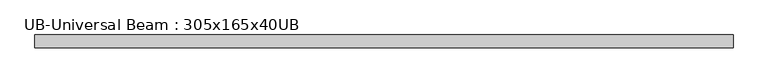
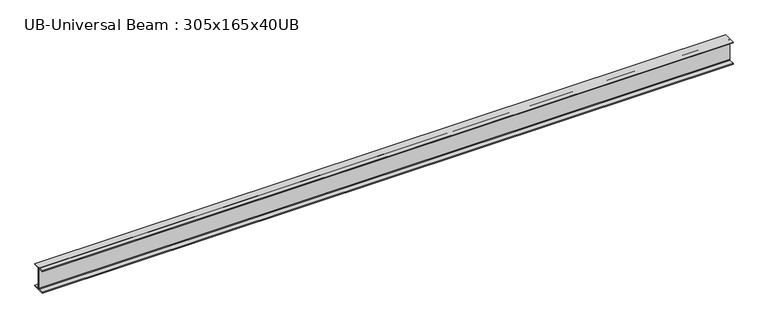
"""IFC4 building model written with IfcOpenShell, lengths in millimetres: beam geometry, UB-Universal Beam : 305x165x40UB."""

import ifcopenshell
import ifcopenshell.guid

model = None  # the IFC model being written
_history = None  # IfcOwnerHistory: only IFC2X3 demands one
_inside = {}  # id of a spatial element -> (the spatial element, [elements in it])
_under = {}  # id of a project, library or spatial element -> (it, [spatial elements below it])
_declared = {}  # id of a project -> (the project, [libraries it declares])
_typed = {}  # id of a type object -> (the type object, [elements of that type])
_made_of = {}  # id of a material, layer set ... -> (it, [elements and type objects made of it])


def new_model(schema):
    """Start an empty IFC model of exactly this schema.

    Asked for "IFC4X3", IfcOpenShell would pick the latest addendum, in which some entities
    have other attributes; the version numbers below select the first issue.
    IFC2X3 requires an IfcOwnerHistory on every rooted entity: one is made here for all.
    """
    global model, _history
    if schema == "IFC4X3":
        model = ifcopenshell.file(schema_version=(4, 3, 0, 0))
    else:
        model = ifcopenshell.file(schema=schema)
    _inside.clear()
    _under.clear()
    _declared.clear()
    _typed.clear()
    _made_of.clear()
    _history = None
    if model.schema == "IFC2X3":
        org = make("IfcOrganization", Name="unknown")
        user = make(
            "IfcPersonAndOrganization",
            ThePerson=make("IfcPerson", FamilyName="unknown"),
            TheOrganization=org,
        )
        app = make(
            "IfcApplication",
            ApplicationDeveloper=org,
            Version="unknown",
            ApplicationFullName="unknown",
            ApplicationIdentifier="unknown",
        )
        _history = make(
            "IfcOwnerHistory",
            OwningUser=user,
            OwningApplication=app,
            ChangeAction="ADDED",
            CreationDate=0,
        )
    return model


def make(cls, **values):
    """One entity of the class cls with the attributes given. An attribute that is None is left unset."""
    return model.create_entity(
        cls, **{name: value for name, value in values.items() if value is not None}
    )


def rooted(cls, **values):
    """An entity with a GlobalId (a new one), such as an element, a storey or a relation."""
    return make(cls, GlobalId=ifcopenshell.guid.new(), OwnerHistory=_history, **values)


def si_unit(unit_type, name, prefix=None):
    """IfcSIUnit, for example si_unit("LENGTHUNIT", "METRE", prefix="MILLI")."""
    return make("IfcSIUnit", UnitType=unit_type, Prefix=prefix, Name=name)


def assignment(units):
    """IfcUnitAssignment: the units of a project."""
    return None if units is None else make("IfcUnitAssignment", Units=units)


def point(xyz):
    """IfcCartesianPoint."""
    return None if xyz is None else make("IfcCartesianPoint", Coordinates=xyz)


def direction(xyz):
    """IfcDirection."""
    return None if xyz is None else make("IfcDirection", DirectionRatios=xyz)


def frame(location, z_axis=None, x_axis=None):
    """IfcAxis2Placement3D, a coordinate frame: its origin and axes. An axis left out is left unset."""
    return make(
        "IfcAxis2Placement3D",
        Location=point(location),
        Axis=direction(z_axis),
        RefDirection=direction(x_axis),
    )


def frame_2d(location, x_axis=None):
    """IfcAxis2Placement2D, a coordinate frame in the plane: its origin and x axis."""
    return make(
        "IfcAxis2Placement2D", Location=point(location), RefDirection=direction(x_axis)
    )


def origin():
    """The frame at (0, 0, 0) with its axes left unset."""
    return frame((0.0, 0.0, 0.0))


def place(relative_to, where):
    """IfcLocalPlacement: puts the frame where relative to a parent placement (None: the world)."""
    return make(
        "IfcLocalPlacement", PlacementRelTo=relative_to, RelativePlacement=where
    )


def context(
    kind, dimensions, precision=None, world=None, true_north=None, identifier=None
):
    """IfcGeometricRepresentationContext, for example the 3D "Model" context."""
    return make(
        "IfcGeometricRepresentationContext",
        ContextIdentifier=identifier,
        ContextType=kind,
        CoordinateSpaceDimension=dimensions,
        Precision=precision,
        WorldCoordinateSystem=world,
        TrueNorth=true_north,
    )


def project(units=None, contexts=None):
    """IfcProject with its units and contexts."""
    return rooted(
        "IfcProject",
        Name="project",
        RepresentationContexts=contexts,
        UnitsInContext=assignment(units),
    )


def spatial(cls, under=None, at=None, **own):
    """A site, building, storey or space (cls), placed at a placement, below another one or the project."""
    s = rooted(cls, ObjectPlacement=at, **own)
    if under is not None:
        _under.setdefault(under.id(), (under, []))[1].append(s)
    return s


def polyline(points):
    """IfcPolyline through the points."""
    return make("IfcPolyline", Points=[point(p) for p in points])


def circle_curve(where, radius):
    """IfcCircle in the frame where."""
    return make("IfcCircle", Position=where, Radius=radius)


def trimmed(basis, trim1, trim2, sense, master):
    """IfcTrimmedCurve: the piece of a basis curve between two trims."""
    return make(
        "IfcTrimmedCurve",
        BasisCurve=basis,
        Trim1=trim1,
        Trim2=trim2,
        SenseAgreement=sense,
        MasterRepresentation=master,
    )


def segment(curve, same_sense, transition):
    """IfcCompositeCurveSegment."""
    return make(
        "IfcCompositeCurveSegment",
        Transition=transition,
        SameSense=same_sense,
        ParentCurve=curve,
    )


def composite_curve(segments, self_intersect=None):
    """IfcCompositeCurve: segments joined end to end."""
    return make("IfcCompositeCurve", Segments=segments, SelfIntersect=self_intersect)


def outline(outer, holes=None, kind="AREA"):
    """IfcArbitraryClosedProfileDef: a profile drawn as a closed curve; with holes, ...WithVoids."""
    if holes is None:
        return make("IfcArbitraryClosedProfileDef", ProfileType=kind, OuterCurve=outer)
    return make(
        "IfcArbitraryProfileDefWithVoids",
        ProfileType=kind,
        OuterCurve=outer,
        InnerCurves=holes,
    )


def extrude(swept, where, along, depth):
    """IfcExtrudedAreaSolid: the profile swept, set in the frame where, extruded along a direction by depth."""
    return make(
        "IfcExtrudedAreaSolid",
        SweptArea=swept,
        Position=where,
        ExtrudedDirection=direction(along),
        Depth=depth,
    )


def shape(context_of_items, identifier, shape_type, items):
    """IfcShapeRepresentation: the items that make up one representation, for example the "Body"."""
    return make(
        "IfcShapeRepresentation",
        ContextOfItems=context_of_items,
        RepresentationIdentifier=identifier,
        RepresentationType=shape_type,
        Items=items,
    )


def source(mapping_origin, context_of_items, identifier, shape_type, items):
    """IfcRepresentationMap: a shape defined once, which mapped items show again and again."""
    return make(
        "IfcRepresentationMap",
        MappingOrigin=mapping_origin,
        MappedRepresentation=shape(context_of_items, identifier, shape_type, items),
    )


def transform(
    local_origin,
    x_axis=None,
    y_axis=None,
    z_axis=None,
    scale=None,
    scale2=None,
    scale3=None,
    uniform=True,
):
    """IfcCartesianTransformationOperator3D, or its non-uniform kind. x_axis, y_axis, z_axis: its Axis1, 2, 3."""
    if uniform:
        return make(
            "IfcCartesianTransformationOperator3D",
            Axis1=direction(x_axis),
            Axis2=direction(y_axis),
            LocalOrigin=point(local_origin),
            Scale=scale,
            Axis3=direction(z_axis),
        )
    return make(
        "IfcCartesianTransformationOperator3DnonUniform",
        Axis1=direction(x_axis),
        Axis2=direction(y_axis),
        LocalOrigin=point(local_origin),
        Scale=scale,
        Axis3=direction(z_axis),
        Scale2=scale2,
        Scale3=scale3,
    )


def mapped(mapping_source, mapping_target):
    """IfcMappedItem: shows the shape of a source again, moved by a transform."""
    return make(
        "IfcMappedItem", MappingSource=mapping_source, MappingTarget=mapping_target
    )


def made_of(thing, what):
    """Note that an element or type object is made of a material, layer set ...; save() writes the relation."""
    if what is not None:
        _made_of.setdefault(what.id(), (what, []))[1].append(thing)
    return thing


def element(
    cls,
    number,
    at=None,
    inside=None,
    cuts=None,
    type_object=None,
    material=None,
    context=None,
    identifier="Body",
    shape_type=None,
    held_by="IfcProductDefinitionShape",
    body=None,
    shapes=None,
    **own,
):
    """One element of the class cls, such as IfcWall. Its Tag is "e" and its number.

    at: its placement. inside: the storey or other place that contains it. cuts: it is an
    opening in that element (IfcRelVoidsElement). A single representation is given by context,
    identifier, shape_type and body (its items); several are given by shapes. held_by: the class
    of the entity that holds the representations. save() writes the other relations.
    """
    e = rooted(cls, Tag="e%d" % number, ObjectPlacement=at, **own)
    if body is not None:
        shapes = [shape(context, identifier, shape_type, body)]
    if shapes is not None:
        e.Representation = make(held_by, Representations=shapes)
    if inside is not None:
        _inside.setdefault(inside.id(), (inside, []))[1].append(e)
    if cuts is not None:
        rooted(
            "IfcRelVoidsElement", RelatingBuildingElement=cuts, RelatedOpeningElement=e
        )
    if type_object is not None:
        _typed.setdefault(type_object.id(), (type_object, []))[1].append(e)
    return made_of(e, material)


def aggregate(whole, parts):
    """IfcRelAggregates: a whole, such as a stair, and the parts it consists of."""
    return rooted("IfcRelAggregates", RelatingObject=whole, RelatedObjects=parts)


def save(model, path):
    """Write the relations noted so far, then the file.

    IfcRelAggregates (storeys below a building ...), IfcRelContainedInSpatialStructure (elements
    in a storey), IfcRelDefinesByType, IfcRelAssociatesMaterial and IfcRelDeclares: one each for
    every whole, place, type object, material and project.
    """
    for whole, parts in _under.values():
        aggregate(whole, parts)
    for where, things in _inside.values():
        rooted(
            "IfcRelContainedInSpatialStructure",
            RelatedElements=things,
            RelatingStructure=where,
        )
    for kind, things in _typed.values():
        rooted("IfcRelDefinesByType", RelatedObjects=things, RelatingType=kind)
    for what, things in _made_of.values():
        rooted("IfcRelAssociatesMaterial", RelatedObjects=things, RelatingMaterial=what)
    for by, libraries in _declared.values():
        rooted("IfcRelDeclares", RelatingContext=by, RelatedDefinitions=libraries)
    model.write(path)


def ub_universal_beam_305x165x40ub_f38d3e38(model_context):
    return source(origin(), model_context, "Body", "SweptSolid", [
        extrude(outline(composite_curve([segment(polyline([(82.5, -141.5), (82.5, -151.7), (-82.5, -151.7), (-82.5, -141.5), (-11.9, -141.5)]), True, "CONTINUOUS"), segment(trimmed(circle_curve(frame_2d((-11.9, -132.6)), 8.9), [point((-11.9, -141.5))], [point((-3.0, -132.6))], True, "CARTESIAN"), True, "CONTINUOUS"), segment(polyline([(-3.0, -132.6), (-3.0, 132.6)]), True, "CONTINUOUS"), segment(trimmed(circle_curve(frame_2d((-11.9, 132.6)), 8.9), [point((-3.0, 132.6))], [point((-11.9, 141.5))], True, "CARTESIAN"), True, "CONTINUOUS"), segment(polyline([(-11.9, 141.5), (-82.5, 141.5), (-82.5, 151.7), (82.5, 151.7), (82.5, 141.5), (11.9, 141.5)]), True, "CONTINUOUS"), segment(trimmed(circle_curve(frame_2d((11.9, 132.6)), 8.9), [point((11.9, 141.5))], [point((3.0, 132.6))], True, "CARTESIAN"), True, "CONTINUOUS"), segment(polyline([(3.0, 132.6), (3.0, -132.6)]), True, "CONTINUOUS"), segment(trimmed(circle_curve(frame_2d((11.9, -132.6)), 8.9), [point((3.0, -132.6))], [point((11.9, -141.5))], True, "CARTESIAN"), True, "CONTINUOUS"), segment(polyline([(11.9, -141.5), (82.5, -141.5)]), True, "CONTINUOUS")], self_intersect=False)), frame((-4491.0479987, 0.0, 0.0), z_axis=(1.0, 0.0, 0.0), x_axis=(0.0, 1.0, 0.0)), (0.0, 0.0, 1.0), 8989.64461),
    ])


if __name__ == "__main__":
    model = new_model("IFC4")
    model_context = context("Model", 3, world=origin())
    ifc_project = project(units=[si_unit("LENGTHUNIT", "METRE", prefix="MILLI")], contexts=[model_context])
    site = spatial("IfcSite", under=ifc_project)
    building = spatial("IfcBuilding", under=site)
    placement = place(None, origin())
    ub_universal_beam_305x165x40ub_shape = ub_universal_beam_305x165x40ub_f38d3e38(model_context)
    element("IfcBeam", 1, ObjectType="UB-Universal Beam : 305x165x40UB", at=placement, inside=building, context=model_context, shape_type="MappedRepresentation", body=[
        mapped(ub_universal_beam_305x165x40ub_shape, transform((0.0, 0.0, 0.0), x_axis=(1.0, 0.0, 0.0), y_axis=(0.0, 1.0, 0.0), z_axis=(0.0, 0.0, 1.0))),
    ])
    save(model, "model.ifc")
